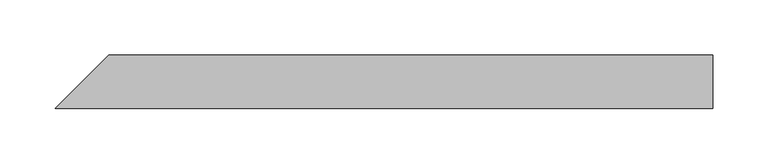
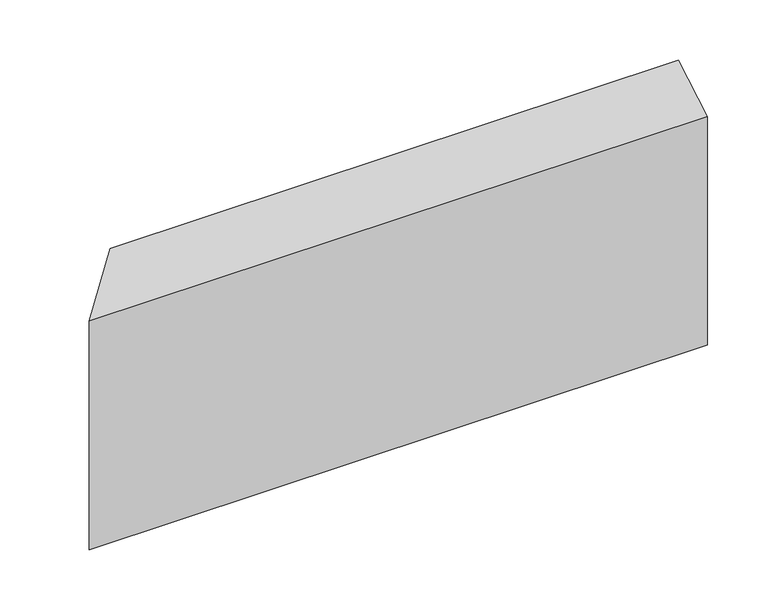
"""IFC4 building model written with IfcOpenShell, lengths in millimetres: beam geometry."""

from ifc_helpers import new_model, si_unit, origin, place, context, project, spatial, faceted_brep, source, transform, mapped, element, save


def beam_da72368b(model_context):
    return source(origin(), model_context, "Body", "Brep", [
        faceted_brep([(284.3931272, -24.0, 101.7703666), (-308.3931272, -24.0, 101.7703666), (-308.3931272, -24.0, -129.7703666), (284.3931272, -24.0, -129.7703666), (284.3931272, 24.0, 129.7703666), (284.3931272, 24.0, -101.7703666), (-260.3931272, 24.0, -101.7703666), (-260.3931272, 24.0, 129.7703666)], [[[0, 1, 2, 3]], [[4, 5, 6, 7]], [[5, 4, 0, 3]], [[6, 5, 3, 2]], [[7, 6, 2, 1]], [[4, 7, 1, 0]]]),
    ])


if __name__ == "__main__":
    model = new_model("IFC4")
    model_context = context("Model", 3, world=origin())
    ifc_project = project(units=[si_unit("LENGTHUNIT", "METRE", prefix="MILLI")], contexts=[model_context])
    site = spatial("IfcSite", under=ifc_project)
    building = spatial("IfcBuilding", under=site)
    placement = place(None, origin())
    beam_shape = beam_da72368b(model_context)
    element("IfcBeam", 1, at=placement, inside=building, context=model_context, shape_type="MappedRepresentation", body=[
        mapped(beam_shape, transform((0.0, 0.0, 0.0), x_axis=(1.0, 0.0, 0.0), y_axis=(0.0, 1.0, 0.0), z_axis=(0.0, 0.0, 1.0))),
    ])
    save(model, "model.ifc")
